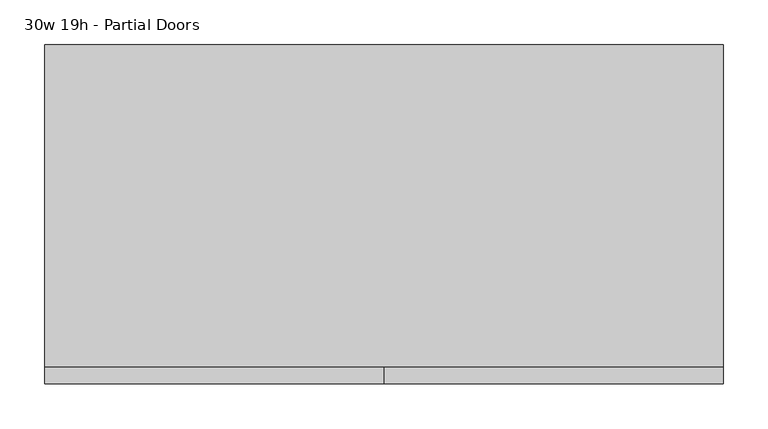
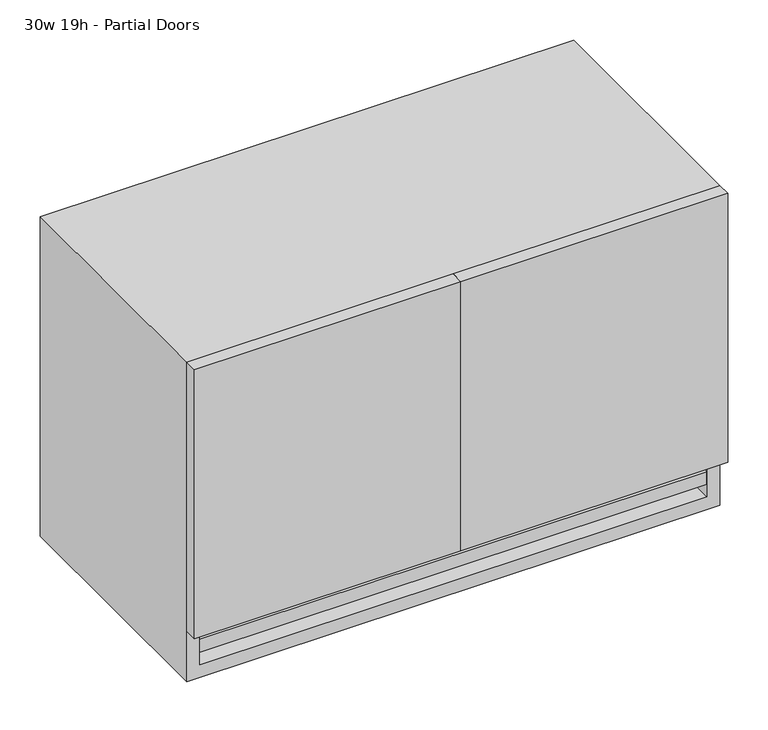
"""IFC4 building model written with IfcOpenShell, lengths in millimetres: furniture geometry, 30w 19h - Partial Doors."""

import ifcopenshell
import ifcopenshell.guid

model = None  # the IFC model being written
_history = None  # IfcOwnerHistory: only IFC2X3 demands one
_inside = {}  # id of a spatial element -> (the spatial element, [elements in it])
_under = {}  # id of a project, library or spatial element -> (it, [spatial elements below it])
_declared = {}  # id of a project -> (the project, [libraries it declares])
_typed = {}  # id of a type object -> (the type object, [elements of that type])
_made_of = {}  # id of a material, layer set ... -> (it, [elements and type objects made of it])


def new_model(schema):
    """Start an empty IFC model of exactly this schema.

    Asked for "IFC4X3", IfcOpenShell would pick the latest addendum, in which some entities
    have other attributes; the version numbers below select the first issue.
    IFC2X3 requires an IfcOwnerHistory on every rooted entity: one is made here for all.
    """
    global model, _history
    if schema == "IFC4X3":
        model = ifcopenshell.file(schema_version=(4, 3, 0, 0))
    else:
        model = ifcopenshell.file(schema=schema)
    _inside.clear()
    _under.clear()
    _declared.clear()
    _typed.clear()
    _made_of.clear()
    _history = None
    if model.schema == "IFC2X3":
        org = make("IfcOrganization", Name="unknown")
        user = make(
            "IfcPersonAndOrganization",
            ThePerson=make("IfcPerson", FamilyName="unknown"),
            TheOrganization=org,
        )
        app = make(
            "IfcApplication",
            ApplicationDeveloper=org,
            Version="unknown",
            ApplicationFullName="unknown",
            ApplicationIdentifier="unknown",
        )
        _history = make(
            "IfcOwnerHistory",
            OwningUser=user,
            OwningApplication=app,
            ChangeAction="ADDED",
            CreationDate=0,
        )
    return model


def make(cls, **values):
    """One entity of the class cls with the attributes given. An attribute that is None is left unset."""
    return model.create_entity(
        cls, **{name: value for name, value in values.items() if value is not None}
    )


def rooted(cls, **values):
    """An entity with a GlobalId (a new one), such as an element, a storey or a relation."""
    return make(cls, GlobalId=ifcopenshell.guid.new(), OwnerHistory=_history, **values)


def si_unit(unit_type, name, prefix=None):
    """IfcSIUnit, for example si_unit("LENGTHUNIT", "METRE", prefix="MILLI")."""
    return make("IfcSIUnit", UnitType=unit_type, Prefix=prefix, Name=name)


def assignment(units):
    """IfcUnitAssignment: the units of a project."""
    return None if units is None else make("IfcUnitAssignment", Units=units)


def point(xyz):
    """IfcCartesianPoint."""
    return None if xyz is None else make("IfcCartesianPoint", Coordinates=xyz)


def direction(xyz):
    """IfcDirection."""
    return None if xyz is None else make("IfcDirection", DirectionRatios=xyz)


def frame(location, z_axis=None, x_axis=None):
    """IfcAxis2Placement3D, a coordinate frame: its origin and axes. An axis left out is left unset."""
    return make(
        "IfcAxis2Placement3D",
        Location=point(location),
        Axis=direction(z_axis),
        RefDirection=direction(x_axis),
    )


def origin():
    """The frame at (0, 0, 0) with its axes left unset."""
    return frame((0.0, 0.0, 0.0))


def place(relative_to, where):
    """IfcLocalPlacement: puts the frame where relative to a parent placement (None: the world)."""
    return make(
        "IfcLocalPlacement", PlacementRelTo=relative_to, RelativePlacement=where
    )


def context(
    kind, dimensions, precision=None, world=None, true_north=None, identifier=None
):
    """IfcGeometricRepresentationContext, for example the 3D "Model" context."""
    return make(
        "IfcGeometricRepresentationContext",
        ContextIdentifier=identifier,
        ContextType=kind,
        CoordinateSpaceDimension=dimensions,
        Precision=precision,
        WorldCoordinateSystem=world,
        TrueNorth=true_north,
    )


def project(units=None, contexts=None):
    """IfcProject with its units and contexts."""
    return rooted(
        "IfcProject",
        Name="project",
        RepresentationContexts=contexts,
        UnitsInContext=assignment(units),
    )


def spatial(cls, under=None, at=None, **own):
    """A site, building, storey or space (cls), placed at a placement, below another one or the project."""
    s = rooted(cls, ObjectPlacement=at, **own)
    if under is not None:
        _under.setdefault(under.id(), (under, []))[1].append(s)
    return s


def polyline(points):
    """IfcPolyline through the points."""
    return make("IfcPolyline", Points=[point(p) for p in points])


def outline(outer, holes=None, kind="AREA"):
    """IfcArbitraryClosedProfileDef: a profile drawn as a closed curve; with holes, ...WithVoids."""
    if holes is None:
        return make("IfcArbitraryClosedProfileDef", ProfileType=kind, OuterCurve=outer)
    return make(
        "IfcArbitraryProfileDefWithVoids",
        ProfileType=kind,
        OuterCurve=outer,
        InnerCurves=holes,
    )


def extrude(swept, where, along, depth):
    """IfcExtrudedAreaSolid: the profile swept, set in the frame where, extruded along a direction by depth."""
    return make(
        "IfcExtrudedAreaSolid",
        SweptArea=swept,
        Position=where,
        ExtrudedDirection=direction(along),
        Depth=depth,
    )


def shape(context_of_items, identifier, shape_type, items):
    """IfcShapeRepresentation: the items that make up one representation, for example the "Body"."""
    return make(
        "IfcShapeRepresentation",
        ContextOfItems=context_of_items,
        RepresentationIdentifier=identifier,
        RepresentationType=shape_type,
        Items=items,
    )


def source(mapping_origin, context_of_items, identifier, shape_type, items):
    """IfcRepresentationMap: a shape defined once, which mapped items show again and again."""
    return make(
        "IfcRepresentationMap",
        MappingOrigin=mapping_origin,
        MappedRepresentation=shape(context_of_items, identifier, shape_type, items),
    )


def transform(
    local_origin,
    x_axis=None,
    y_axis=None,
    z_axis=None,
    scale=None,
    scale2=None,
    scale3=None,
    uniform=True,
):
    """IfcCartesianTransformationOperator3D, or its non-uniform kind. x_axis, y_axis, z_axis: its Axis1, 2, 3."""
    if uniform:
        return make(
            "IfcCartesianTransformationOperator3D",
            Axis1=direction(x_axis),
            Axis2=direction(y_axis),
            LocalOrigin=point(local_origin),
            Scale=scale,
            Axis3=direction(z_axis),
        )
    return make(
        "IfcCartesianTransformationOperator3DnonUniform",
        Axis1=direction(x_axis),
        Axis2=direction(y_axis),
        LocalOrigin=point(local_origin),
        Scale=scale,
        Axis3=direction(z_axis),
        Scale2=scale2,
        Scale3=scale3,
    )


def mapped(mapping_source, mapping_target):
    """IfcMappedItem: shows the shape of a source again, moved by a transform."""
    return make(
        "IfcMappedItem", MappingSource=mapping_source, MappingTarget=mapping_target
    )


def made_of(thing, what):
    """Note that an element or type object is made of a material, layer set ...; save() writes the relation."""
    if what is not None:
        _made_of.setdefault(what.id(), (what, []))[1].append(thing)
    return thing


def element(
    cls,
    number,
    at=None,
    inside=None,
    cuts=None,
    type_object=None,
    material=None,
    context=None,
    identifier="Body",
    shape_type=None,
    held_by="IfcProductDefinitionShape",
    body=None,
    shapes=None,
    **own,
):
    """One element of the class cls, such as IfcWall. Its Tag is "e" and its number.

    at: its placement. inside: the storey or other place that contains it. cuts: it is an
    opening in that element (IfcRelVoidsElement). A single representation is given by context,
    identifier, shape_type and body (its items); several are given by shapes. held_by: the class
    of the entity that holds the representations. save() writes the other relations.
    """
    e = rooted(cls, Tag="e%d" % number, ObjectPlacement=at, **own)
    if body is not None:
        shapes = [shape(context, identifier, shape_type, body)]
    if shapes is not None:
        e.Representation = make(held_by, Representations=shapes)
    if inside is not None:
        _inside.setdefault(inside.id(), (inside, []))[1].append(e)
    if cuts is not None:
        rooted(
            "IfcRelVoidsElement", RelatingBuildingElement=cuts, RelatedOpeningElement=e
        )
    if type_object is not None:
        _typed.setdefault(type_object.id(), (type_object, []))[1].append(e)
    return made_of(e, material)


def aggregate(whole, parts):
    """IfcRelAggregates: a whole, such as a stair, and the parts it consists of."""
    return rooted("IfcRelAggregates", RelatingObject=whole, RelatedObjects=parts)


def save(model, path):
    """Write the relations noted so far, then the file.

    IfcRelAggregates (storeys below a building ...), IfcRelContainedInSpatialStructure (elements
    in a storey), IfcRelDefinesByType, IfcRelAssociatesMaterial and IfcRelDeclares: one each for
    every whole, place, type object, material and project.
    """
    for whole, parts in _under.values():
        aggregate(whole, parts)
    for where, things in _inside.values():
        rooted(
            "IfcRelContainedInSpatialStructure",
            RelatedElements=things,
            RelatingStructure=where,
        )
    for kind, things in _typed.values():
        rooted("IfcRelDefinesByType", RelatedObjects=things, RelatingType=kind)
    for what, things in _made_of.values():
        rooted("IfcRelAssociatesMaterial", RelatedObjects=things, RelatingMaterial=what)
    for by, libraries in _declared.values():
        rooted("IfcRelDeclares", RelatingContext=by, RelatedDefinitions=libraries)
    model.write(path)


def furniture_30w_19h_partial_doors_df946c61(model_context):
    return source(origin(), model_context, "Body", "SweptSolid", [
        extrude(outline(polyline([(361.9569453, 161.925), (361.9569453, -180.975), (-361.9291641, -180.975), (-361.9291641, 161.925), (361.9569453, 161.925)])), frame((0.0, 0.0, 812.8), z_axis=(0.0, 0.0, 1.0), x_axis=(1.0, 0.0, 0.0)), (0.0, 0.0, 1.0), 19.05),
        extrude(outline(polyline([(361.9569453, 161.925), (361.9569453, -180.975), (-361.9291641, -180.975), (-361.9291641, 161.925), (361.9569453, 161.925)])), frame((0.0, 0.0, 774.7), z_axis=(0.0, 0.0, 1.0), x_axis=(1.0, 0.0, 0.0)), (0.0, 0.0, 1.0), 19.05),
        extrude(outline(polyline([(0.0138906, -200.025), (0.0138906, -180.975), (381.0138906, -180.975), (381.0138906, -200.025), (0.0138906, -200.025)])), frame((0.0, 0.0, 812.8), z_axis=(0.0, 0.0, 1.0), x_axis=(1.0, 0.0, 0.0)), (0.0, 0.0, 1.0), 406.4),
        extrude(outline(polyline([(0.0138906, -200.025), (-380.9861094, -200.025), (-380.9861094, -180.975), (0.0138906, -180.975), (0.0138906, -200.025)])), frame((0.0, 0.0, 812.8), z_axis=(0.0, 0.0, 1.0), x_axis=(1.0, 0.0, 0.0)), (0.0, 0.0, 1.0), 406.4),
        extrude(outline(polyline([(736.6, -380.9861094), (736.6, 381.0138906), (1219.2, 381.0138906), (1219.2, -380.9861094), (736.6, -380.9861094)]), holes=[polyline([(755.65, -361.9361094), (1200.15, -361.9361094), (1200.15, 361.9569453), (755.65, 361.9569453), (755.65, -361.9361094)])]), frame((0.0, -180.975, 0.0), z_axis=(0.0, 1.0, 0.0), x_axis=(0.0, 0.0, 1.0)), (0.0, 0.0, 1.0), 361.95),
        extrude(outline(polyline([(-361.9291641, 161.925), (-361.9291641, 180.975), (361.9569453, 180.975), (361.9569453, 161.925), (-361.9291641, 161.925)])), frame((0.0, 0.0, 755.65), z_axis=(0.0, 0.0, 1.0), x_axis=(1.0, 0.0, 0.0)), (0.0, 0.0, 1.0), 444.5),
    ])


if __name__ == "__main__":
    model = new_model("IFC4")
    model_context = context("Model", 3, world=origin())
    ifc_project = project(units=[si_unit("LENGTHUNIT", "METRE", prefix="MILLI")], contexts=[model_context])
    site = spatial("IfcSite", under=ifc_project)
    building = spatial("IfcBuilding", under=site)
    placement = place(None, origin())
    furniture_30w_19h_partial_doors_shape = furniture_30w_19h_partial_doors_df946c61(model_context)
    element("IfcFurniture", 1, ObjectType="30w 19h - Partial Doors", at=placement, inside=building, context=model_context, shape_type="MappedRepresentation", body=[
        mapped(furniture_30w_19h_partial_doors_shape, transform((0.0, 0.0, 0.0), x_axis=(1.0, 0.0, 0.0), y_axis=(0.0, 1.0, 0.0), z_axis=(0.0, 0.0, 1.0))),
    ])
    save(model, "model.ifc")
